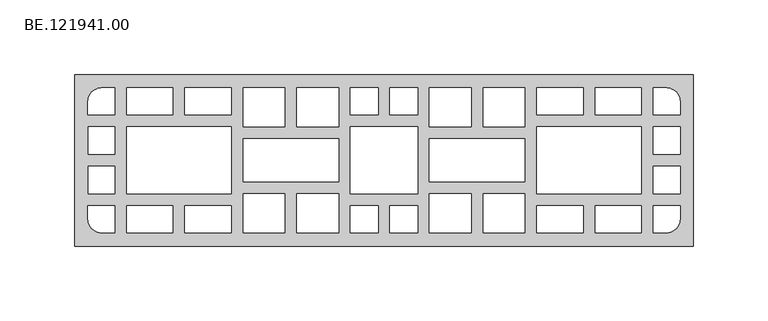
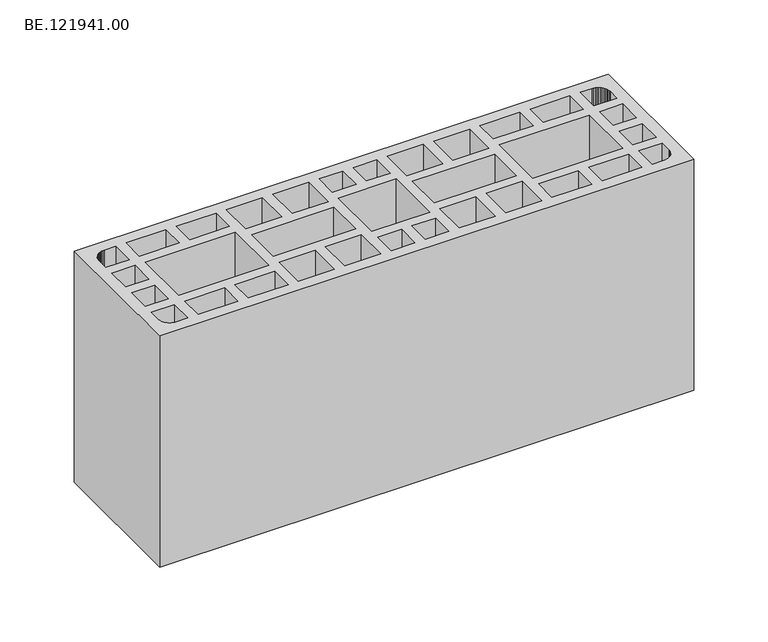
"""IFC4 building model written with IfcOpenShell, lengths in millimetres: proxy geometry, BE.121941.00."""

import ifcopenshell
import ifcopenshell.guid

model = None  # the IFC model being written
_history = None  # IfcOwnerHistory: only IFC2X3 demands one
_inside = {}  # id of a spatial element -> (the spatial element, [elements in it])
_under = {}  # id of a project, library or spatial element -> (it, [spatial elements below it])
_declared = {}  # id of a project -> (the project, [libraries it declares])
_typed = {}  # id of a type object -> (the type object, [elements of that type])
_made_of = {}  # id of a material, layer set ... -> (it, [elements and type objects made of it])


def new_model(schema):
    """Start an empty IFC model of exactly this schema.

    Asked for "IFC4X3", IfcOpenShell would pick the latest addendum, in which some entities
    have other attributes; the version numbers below select the first issue.
    IFC2X3 requires an IfcOwnerHistory on every rooted entity: one is made here for all.
    """
    global model, _history
    if schema == "IFC4X3":
        model = ifcopenshell.file(schema_version=(4, 3, 0, 0))
    else:
        model = ifcopenshell.file(schema=schema)
    _inside.clear()
    _under.clear()
    _declared.clear()
    _typed.clear()
    _made_of.clear()
    _history = None
    if model.schema == "IFC2X3":
        org = make("IfcOrganization", Name="unknown")
        user = make(
            "IfcPersonAndOrganization",
            ThePerson=make("IfcPerson", FamilyName="unknown"),
            TheOrganization=org,
        )
        app = make(
            "IfcApplication",
            ApplicationDeveloper=org,
            Version="unknown",
            ApplicationFullName="unknown",
            ApplicationIdentifier="unknown",
        )
        _history = make(
            "IfcOwnerHistory",
            OwningUser=user,
            OwningApplication=app,
            ChangeAction="ADDED",
            CreationDate=0,
        )
    return model


def make(cls, **values):
    """One entity of the class cls with the attributes given. An attribute that is None is left unset."""
    return model.create_entity(
        cls, **{name: value for name, value in values.items() if value is not None}
    )


def rooted(cls, **values):
    """An entity with a GlobalId (a new one), such as an element, a storey or a relation."""
    return make(cls, GlobalId=ifcopenshell.guid.new(), OwnerHistory=_history, **values)


def si_unit(unit_type, name, prefix=None):
    """IfcSIUnit, for example si_unit("LENGTHUNIT", "METRE", prefix="MILLI")."""
    return make("IfcSIUnit", UnitType=unit_type, Prefix=prefix, Name=name)


def assignment(units):
    """IfcUnitAssignment: the units of a project."""
    return None if units is None else make("IfcUnitAssignment", Units=units)


def point(xyz):
    """IfcCartesianPoint."""
    return None if xyz is None else make("IfcCartesianPoint", Coordinates=xyz)


def direction(xyz):
    """IfcDirection."""
    return None if xyz is None else make("IfcDirection", DirectionRatios=xyz)


def frame(location, z_axis=None, x_axis=None):
    """IfcAxis2Placement3D, a coordinate frame: its origin and axes. An axis left out is left unset."""
    return make(
        "IfcAxis2Placement3D",
        Location=point(location),
        Axis=direction(z_axis),
        RefDirection=direction(x_axis),
    )


def origin():
    """The frame at (0, 0, 0) with its axes left unset."""
    return frame((0.0, 0.0, 0.0))


def origin_with_axes():
    """The frame at (0, 0, 0) with the z axis (0, 0, 1) and the x axis (1, 0, 0) written out."""
    return frame((0.0, 0.0, 0.0), z_axis=(0.0, 0.0, 1.0), x_axis=(1.0, 0.0, 0.0))


def place(relative_to, where):
    """IfcLocalPlacement: puts the frame where relative to a parent placement (None: the world)."""
    return make(
        "IfcLocalPlacement", PlacementRelTo=relative_to, RelativePlacement=where
    )


def context(
    kind, dimensions, precision=None, world=None, true_north=None, identifier=None
):
    """IfcGeometricRepresentationContext, for example the 3D "Model" context."""
    return make(
        "IfcGeometricRepresentationContext",
        ContextIdentifier=identifier,
        ContextType=kind,
        CoordinateSpaceDimension=dimensions,
        Precision=precision,
        WorldCoordinateSystem=world,
        TrueNorth=true_north,
    )


def project(units=None, contexts=None):
    """IfcProject with its units and contexts."""
    return rooted(
        "IfcProject",
        Name="project",
        RepresentationContexts=contexts,
        UnitsInContext=assignment(units),
    )


def spatial(cls, under=None, at=None, **own):
    """A site, building, storey or space (cls), placed at a placement, below another one or the project."""
    s = rooted(cls, ObjectPlacement=at, **own)
    if under is not None:
        _under.setdefault(under.id(), (under, []))[1].append(s)
    return s


def polyline(points):
    """IfcPolyline through the points."""
    return make("IfcPolyline", Points=[point(p) for p in points])


def outline(outer, holes=None, kind="AREA"):
    """IfcArbitraryClosedProfileDef: a profile drawn as a closed curve; with holes, ...WithVoids."""
    if holes is None:
        return make("IfcArbitraryClosedProfileDef", ProfileType=kind, OuterCurve=outer)
    return make(
        "IfcArbitraryProfileDefWithVoids",
        ProfileType=kind,
        OuterCurve=outer,
        InnerCurves=holes,
    )


def extrude(swept, where, along, depth):
    """IfcExtrudedAreaSolid: the profile swept, set in the frame where, extruded along a direction by depth."""
    return make(
        "IfcExtrudedAreaSolid",
        SweptArea=swept,
        Position=where,
        ExtrudedDirection=direction(along),
        Depth=depth,
    )


def shape(context_of_items, identifier, shape_type, items):
    """IfcShapeRepresentation: the items that make up one representation, for example the "Body"."""
    return make(
        "IfcShapeRepresentation",
        ContextOfItems=context_of_items,
        RepresentationIdentifier=identifier,
        RepresentationType=shape_type,
        Items=items,
    )


def source(mapping_origin, context_of_items, identifier, shape_type, items):
    """IfcRepresentationMap: a shape defined once, which mapped items show again and again."""
    return make(
        "IfcRepresentationMap",
        MappingOrigin=mapping_origin,
        MappedRepresentation=shape(context_of_items, identifier, shape_type, items),
    )


def transform(
    local_origin,
    x_axis=None,
    y_axis=None,
    z_axis=None,
    scale=None,
    scale2=None,
    scale3=None,
    uniform=True,
):
    """IfcCartesianTransformationOperator3D, or its non-uniform kind. x_axis, y_axis, z_axis: its Axis1, 2, 3."""
    if uniform:
        return make(
            "IfcCartesianTransformationOperator3D",
            Axis1=direction(x_axis),
            Axis2=direction(y_axis),
            LocalOrigin=point(local_origin),
            Scale=scale,
            Axis3=direction(z_axis),
        )
    return make(
        "IfcCartesianTransformationOperator3DnonUniform",
        Axis1=direction(x_axis),
        Axis2=direction(y_axis),
        LocalOrigin=point(local_origin),
        Scale=scale,
        Axis3=direction(z_axis),
        Scale2=scale2,
        Scale3=scale3,
    )


def mapped(mapping_source, mapping_target):
    """IfcMappedItem: shows the shape of a source again, moved by a transform."""
    return make(
        "IfcMappedItem", MappingSource=mapping_source, MappingTarget=mapping_target
    )


def made_of(thing, what):
    """Note that an element or type object is made of a material, layer set ...; save() writes the relation."""
    if what is not None:
        _made_of.setdefault(what.id(), (what, []))[1].append(thing)
    return thing


def element(
    cls,
    number,
    at=None,
    inside=None,
    cuts=None,
    type_object=None,
    material=None,
    context=None,
    identifier="Body",
    shape_type=None,
    held_by="IfcProductDefinitionShape",
    body=None,
    shapes=None,
    **own,
):
    """One element of the class cls, such as IfcWall. Its Tag is "e" and its number.

    at: its placement. inside: the storey or other place that contains it. cuts: it is an
    opening in that element (IfcRelVoidsElement). A single representation is given by context,
    identifier, shape_type and body (its items); several are given by shapes. held_by: the class
    of the entity that holds the representations. save() writes the other relations.
    """
    e = rooted(cls, Tag="e%d" % number, ObjectPlacement=at, **own)
    if body is not None:
        shapes = [shape(context, identifier, shape_type, body)]
    if shapes is not None:
        e.Representation = make(held_by, Representations=shapes)
    if inside is not None:
        _inside.setdefault(inside.id(), (inside, []))[1].append(e)
    if cuts is not None:
        rooted(
            "IfcRelVoidsElement", RelatingBuildingElement=cuts, RelatedOpeningElement=e
        )
    if type_object is not None:
        _typed.setdefault(type_object.id(), (type_object, []))[1].append(e)
    return made_of(e, material)


def aggregate(whole, parts):
    """IfcRelAggregates: a whole, such as a stair, and the parts it consists of."""
    return rooted("IfcRelAggregates", RelatingObject=whole, RelatedObjects=parts)


def save(model, path):
    """Write the relations noted so far, then the file.

    IfcRelAggregates (storeys below a building ...), IfcRelContainedInSpatialStructure (elements
    in a storey), IfcRelDefinesByType, IfcRelAssociatesMaterial and IfcRelDeclares: one each for
    every whole, place, type object, material and project.
    """
    for whole, parts in _under.values():
        aggregate(whole, parts)
    for where, things in _inside.values():
        rooted(
            "IfcRelContainedInSpatialStructure",
            RelatedElements=things,
            RelatingStructure=where,
        )
    for kind, things in _typed.values():
        rooted("IfcRelDefinesByType", RelatedObjects=things, RelatingType=kind)
    for what, things in _made_of.values():
        rooted("IfcRelAssociatesMaterial", RelatedObjects=things, RelatingMaterial=what)
    for by, libraries in _declared.values():
        rooted("IfcRelDeclares", RelatingContext=by, RelatedDefinitions=libraries)
    model.write(path)


def be_121941_00_5ecaf591(model_context):
    return source(origin(), model_context, "Body", "SweptSolid", [
        extrude(outline(polyline([(419.9999814, 57.5034668), (419.9999814, -57.5034668), (5.0, -57.5034668), (5.0, 57.5034668), (419.9999814, 57.5034668)]), holes=[polyline([(32.0020996, 22.5009521), (14.0125, 22.5009521), (14.0125, 3.9997559), (32.0020996, 3.9997559), (32.0020996, 22.5009521)]), polyline([(32.0020996, -22.5009521), (32.0020996, -3.9997559), (14.0125, -3.9997559), (14.0125, -22.5009521), (32.0020996, -22.5009521)]), polyline([(14.0041016, 30.5004639), (32.0030029, 30.5004639), (32.0030029, 48.4993652), (23.0082031, 48.4993652), (21.8268799, 48.4249512), (20.6734619, 48.1924072), (19.557251, 47.8203369), (18.5061523, 47.2994385), (17.5294678, 46.6390137), (16.636499, 45.8669678), (15.8644531, 44.9833008), (15.2133301, 43.9973145), (14.6924316, 42.9462158), (14.3110596, 41.8300049), (14.0785156, 40.6765869), (14.0041016, 39.5045654), (14.0041016, 30.5004639)]), polyline([(14.0041016, -30.5004639), (14.0041016, -39.5045654), (14.0785156, -40.6765869), (14.3110596, -41.8300049), (14.6924316, -42.9462158), (15.2133301, -43.9973145), (15.8644531, -44.9833008), (16.636499, -45.8669678), (17.5294678, -46.6390137), (18.5061523, -47.2994385), (19.557251, -47.8203369), (20.6734619, -48.1924072), (21.8268799, -48.4249512), (23.0082031, -48.4993652), (32.0030029, -48.4993652), (32.0030029, -30.5004639), (14.0041016, -30.5004639)]), polyline([(393.0080868, 22.5009521), (393.0080868, 3.9997559), (410.9976864, 3.9997559), (410.9976864, 22.5009521), (393.0080868, 22.5009521)]), polyline([(393.0080868, -22.5009521), (410.9976864, -22.5009521), (410.9976864, -3.9997559), (393.0080868, -3.9997559), (393.0080868, -22.5009521)]), polyline([(411.0060849, 30.5004639), (411.0060849, 39.5045654), (410.9316708, 40.6765869), (410.6991269, 41.8300049), (410.3177548, 42.9462158), (409.7968564, 43.9973145), (409.1457333, 44.9833008), (408.3736874, 45.8669678), (407.4807187, 46.6390137), (406.5040341, 47.2994385), (405.4529355, 47.8203369), (404.3367245, 48.1924072), (403.1833066, 48.4249512), (402.0019833, 48.4993652), (393.0071835, 48.4993652), (393.0071835, 30.5004639), (411.0060849, 30.5004639)]), polyline([(411.0060849, -30.5004639), (393.0071835, -30.5004639), (393.0071835, -48.4993652), (402.0019833, -48.4993652), (403.1833066, -48.4249512), (404.3367245, -48.1924072), (405.4529355, -47.8203369), (406.5040341, -47.2994385), (407.4807187, -46.6390137), (408.3736874, -45.8669678), (409.1457333, -44.9833008), (409.7968564, -43.9973145), (410.3177548, -42.9462158), (410.6991269, -41.8300049), (410.9316708, -40.6765869), (411.0060849, -39.5045654), (411.0060849, -30.5004639)]), polyline([(78.9998654, -30.503952), (78.9998654, -48.5040161), (110.0002987, -48.5040161), (110.0002987, -30.503952), (78.9998654, -30.503952)]), polyline([(78.9998654, 30.4969757), (110.0002987, 30.4969757), (110.0002987, 48.4970398), (78.9998654, 48.4970398), (78.9998654, 30.4969757)]), polyline([(270.9997738, 22.4963013), (270.9997738, 48.4970398), (242.9991574, 48.4970398), (242.9991574, 22.4963013), (270.9997738, 22.4963013)]), polyline([(345.9998471, 30.4969757), (345.9998471, 48.4970398), (314.9994137, 48.4970398), (314.9994137, 30.4969757), (345.9998471, 30.4969757)]), polyline([(353.9993588, 48.4970398), (353.9993588, 30.4969757), (384.9997921, 30.4969757), (384.9997921, 48.4970398), (353.9993588, 48.4970398)]), polyline([(234.9996457, -30.503952), (216.5007748, -30.503952), (216.5007748, -48.5040161), (234.9996457, -48.5040161), (234.9996457, -30.503952)]), polyline([(153.9999386, 22.4963013), (182.0005551, 22.4963013), (182.0005551, 48.4970398), (153.9999386, 48.4970398), (153.9999386, 22.4963013)]), polyline([(110.0002987, 22.4963013), (39.9999203, 22.4963013), (39.9999203, -22.5032776), (110.0002987, -22.5032776), (110.0002987, 22.4963013)]), polyline([(71.0003537, -48.5040161), (71.0003537, -30.503952), (39.9999203, -30.503952), (39.9999203, -48.5040161), (71.0003537, -48.5040161)]), polyline([(39.9999203, 30.4969757), (71.0003537, 30.4969757), (71.0003537, 48.4970398), (39.9999203, 48.4970398), (39.9999203, 30.4969757)]), polyline([(182.0005551, 14.4967896), (117.9998105, 14.4967896), (117.9998105, -14.5037659), (182.0005551, -14.5037659), (182.0005551, 14.4967896)]), polyline([(146.0004269, 48.4970398), (117.9998105, 48.4970398), (117.9998105, 22.4963013), (146.0004269, 22.4963013), (146.0004269, 48.4970398)]), polyline([(146.0004269, -48.5040161), (146.0004269, -22.5032776), (117.9998105, -22.5032776), (117.9998105, -48.5040161), (146.0004269, -48.5040161)]), polyline([(182.0005551, -22.5032776), (153.9999386, -22.5032776), (153.9999386, -48.5040161), (182.0005551, -48.5040161), (182.0005551, -22.5032776)]), polyline([(190.0000668, -30.503952), (190.0000668, -48.5040161), (208.4989377, -48.5040161), (208.4989377, -30.503952), (190.0000668, -30.503952)]), polyline([(234.9996457, 22.4963013), (190.0000668, 22.4963013), (190.0000668, -22.5032776), (234.9996457, -22.5032776), (234.9996457, 22.4963013)]), polyline([(216.5007748, 30.4969757), (234.9996457, 30.4969757), (234.9996457, 48.4970398), (216.5007748, 48.4970398), (216.5007748, 30.4969757)]), polyline([(208.4989377, 48.4970398), (190.0000668, 48.4970398), (190.0000668, 30.4969757), (208.4989377, 30.4969757), (208.4989377, 48.4970398)]), polyline([(242.9991574, 14.4967896), (242.9991574, -14.5037659), (306.999902, -14.5037659), (306.999902, 14.4967896), (242.9991574, 14.4967896)]), polyline([(306.999902, 22.4963013), (306.999902, 48.4970398), (278.9992856, 48.4970398), (278.9992856, 22.4963013), (306.999902, 22.4963013)]), polyline([(242.9991574, -48.5040161), (270.9997738, -48.5040161), (270.9997738, -22.5032776), (242.9991574, -22.5032776), (242.9991574, -48.5040161)]), polyline([(306.999902, -48.5040161), (306.999902, -22.5032776), (278.9992856, -22.5032776), (278.9992856, -48.5040161), (306.999902, -48.5040161)]), polyline([(314.9994137, -30.503952), (314.9994137, -48.5040161), (345.9998471, -48.5040161), (345.9998471, -30.503952), (314.9994137, -30.503952)]), polyline([(353.9993588, -30.503952), (353.9993588, -48.5040161), (384.9997921, -48.5040161), (384.9997921, -30.503952), (353.9993588, -30.503952)]), polyline([(314.9994137, 22.4963013), (314.9994137, -22.5032776), (384.9997921, -22.5032776), (384.9997921, 22.4963013), (314.9994137, 22.4963013)])]), origin_with_axes(), (0.0, 0.0, 1.0), 190.0),
    ])


if __name__ == "__main__":
    model = new_model("IFC4")
    model_context = context("Model", 3, world=origin())
    ifc_project = project(units=[si_unit("LENGTHUNIT", "METRE", prefix="MILLI")], contexts=[model_context])
    site = spatial("IfcSite", under=ifc_project)
    building = spatial("IfcBuilding", under=site)
    placement = place(None, origin())
    be_121941_00_shape = be_121941_00_5ecaf591(model_context)
    element("IfcBuildingElementProxy", 1, Name="BE.121941.00", ObjectType="BE.121941.00", at=placement, inside=building, context=model_context, shape_type="MappedRepresentation", body=[
        mapped(be_121941_00_shape, transform((0.0, 0.0, 0.0), x_axis=(1.0, 0.0, 0.0), y_axis=(0.0, 1.0, 0.0), z_axis=(0.0, 0.0, 1.0))),
    ])
    save(model, "model.ifc")
